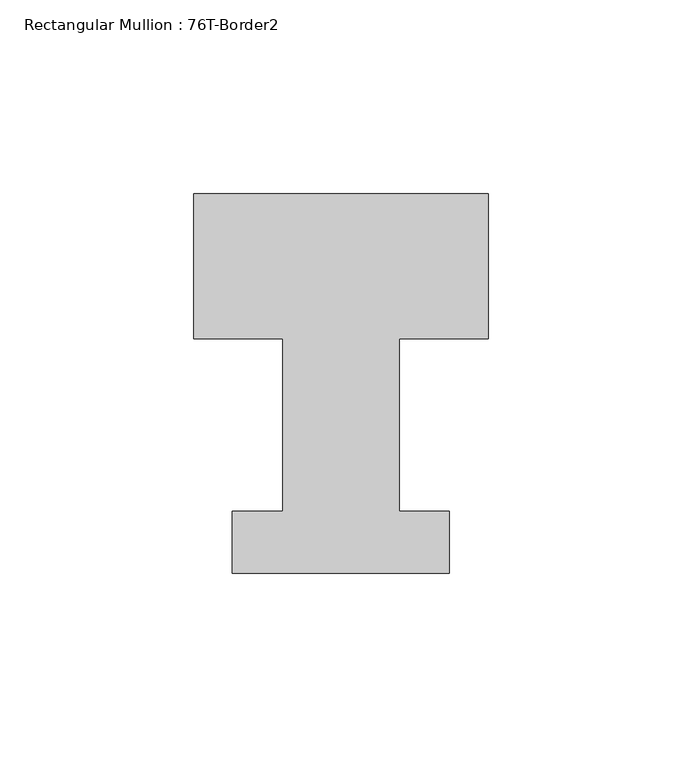
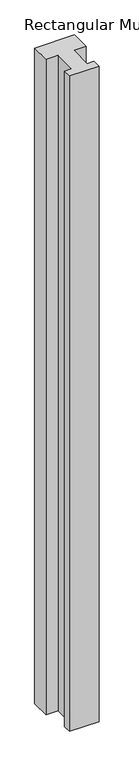
"""IFC4 building model written with IfcOpenShell, lengths in millimetres: member geometry, Rectangular Mullion : 76T-Border2."""

from ifc_helpers import new_model, si_unit, frame, origin, place, context, project, spatial, polyline, outline, extrude, source, transform, mapped, element, save


def rectangular_mullion_76t_border2_6d64f21a(model_context):
    return source(origin(), model_context, "Body", "SweptSolid", [
        extrude(outline(polyline([(0.0, 38.0), (0.0, 0.5), (-23.0, 0.5), (-23.0, -44.0), (-10.0, -44.0), (-10.0, -60.0), (-66.0, -60.0), (-66.0, -44.0), (-53.0, -44.0), (-53.0, 0.5), (-76.0, 0.5), (-76.0, 38.0), (0.0, 38.0)])), frame((0.0, 0.0, -1322.465707), z_axis=(0.0, 0.0, 1.0), x_axis=(1.0, 0.0, 0.0)), (0.0, 0.0, 1.0), 1322.465707),
    ])


if __name__ == "__main__":
    model = new_model("IFC4")
    model_context = context("Model", 3, world=origin())
    ifc_project = project(units=[si_unit("LENGTHUNIT", "METRE", prefix="MILLI")], contexts=[model_context])
    site = spatial("IfcSite", under=ifc_project)
    building = spatial("IfcBuilding", under=site)
    placement = place(None, origin())
    rectangular_mullion_76t_border2_shape = rectangular_mullion_76t_border2_6d64f21a(model_context)
    element("IfcMember", 1, ObjectType="Rectangular Mullion : 76T-Border2", at=placement, inside=building, context=model_context, shape_type="MappedRepresentation", body=[
        mapped(rectangular_mullion_76t_border2_shape, transform((0.0, 0.0, 0.0), x_axis=(1.0, 0.0, 0.0), y_axis=(0.0, 1.0, 0.0), z_axis=(0.0, 0.0, 1.0))),
    ])
    save(model, "model.ifc")
